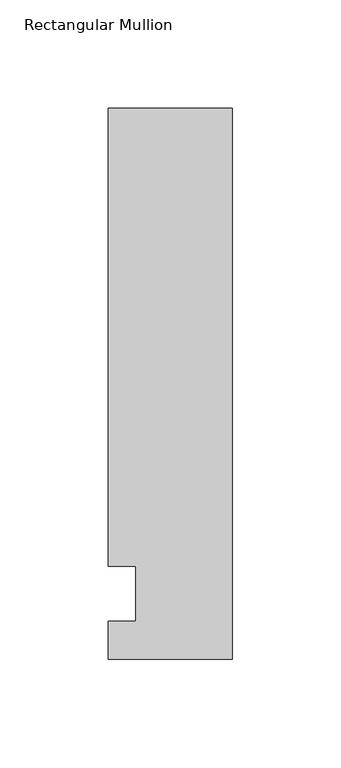
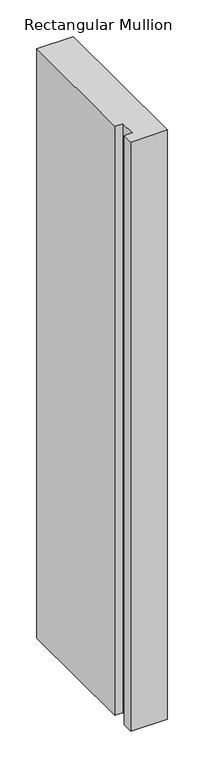
"""IFC4 building model written with IfcOpenShell, lengths in millimetres: member geometry, Rectangular Mullion."""

from ifc_helpers import new_model, si_unit, frame, origin, place, context, project, spatial, polyline, outline, extrude, source, transform, mapped, element, save


def rectangular_mullion_7a110f3b(model_context):
    return source(origin(), model_context, "Body", "SweptSolid", [
        extrude(outline(polyline([(-57.15, 223.8375), (0.0, 223.8375), (0.0, -30.1625), (-57.15, -30.1625), (-57.15, -12.7), (-44.4482296, -12.7), (-44.4482296, 12.7), (-57.15, 12.7), (-57.15, 223.8375)])), frame((0.0, 0.0, -974.725), z_axis=(0.0, 0.0, 1.0), x_axis=(1.0, 0.0, 0.0)), (0.0, 0.0, 1.0), 974.725),
    ])


if __name__ == "__main__":
    model = new_model("IFC4")
    model_context = context("Model", 3, world=origin())
    ifc_project = project(units=[si_unit("LENGTHUNIT", "METRE", prefix="MILLI")], contexts=[model_context])
    site = spatial("IfcSite", under=ifc_project)
    building = spatial("IfcBuilding", under=site)
    placement = place(None, origin())
    rectangular_mullion_shape = rectangular_mullion_7a110f3b(model_context)
    element("IfcMember", 1, ObjectType="Rectangular Mullion", at=placement, inside=building, context=model_context, shape_type="MappedRepresentation", body=[
        mapped(rectangular_mullion_shape, transform((0.0, 0.0, 0.0), x_axis=(1.0, 0.0, 0.0), y_axis=(0.0, 1.0, 0.0), z_axis=(0.0, 0.0, 1.0))),
    ])
    save(model, "model.ifc")
